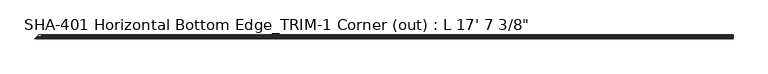
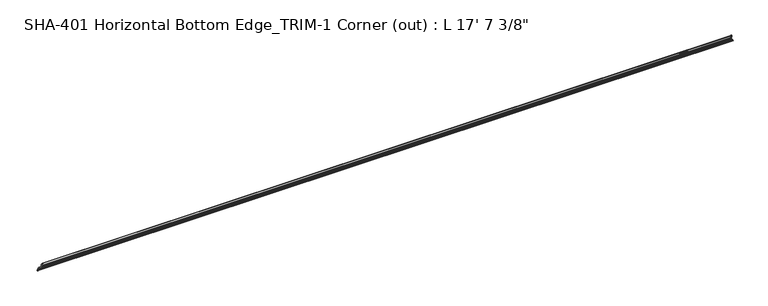
"""IFC4 building model written with IfcOpenShell, lengths in millimetres: proxy geometry."""

from ifc_helpers import new_model, si_unit, frame, origin, place, context, project, spatial, polyline, circle_curve, ellipse_curve, source, transform, mapped, element, save
from ifc_brep_helpers import plane_surface, cylinder_surface, revolved_surface, advanced_brep


def proxy_8384c79b(model_context):
    return source(origin(), model_context, "Body", "AdvancedBrep", [
        advanced_brep(
        [(5368.925, -7.2036308, 29.6006869), (5368.925, -9.525, 29.5346031), (5368.925, -9.525, 17.1196), (5368.925, -3.81, 17.1196), (5368.925, -1.905, 15.2146), (5368.925, -1.905, 3.81), (5368.925, -3.81, 1.905), (5368.925, -13.9230434, 1.905), (5368.925, -17.018, 1.5748), (5368.925, -21.5549919, 1.5748), (5368.925, -24.7045919, 1.5748), (5368.925, -28.575, 1.5748), (5368.925, -28.575, 0.0), (5368.925, -13.8696178, 0.0), (5368.925, 0.0, 0.0), (5368.925, 0.0, 19.0246), (5368.925, -5.392657, 19.0246), (50.8, -7.2036308, 29.6006869), (50.8, -9.525, 29.5346031), (50.8, -9.525, 17.1196), (50.8, -3.81, 17.1196), (50.8, -1.905, 15.2146), (50.8, -1.905, 3.81), (50.8, -3.81, 1.905), (50.8, 0.0, 1.905), (28.575, 0.0, 1.905), (14.6519566, -13.9230434, 1.905), (11.557, -17.018, 1.5748), (7.0200081, -21.5549919, 1.5748), (3.8704081, -24.7045919, 1.5748), (0.0, -28.575, 1.5748), (0.0, -28.575, 0.0), (14.7053822, -13.8696178, 0.0), (28.575, 0.0, 0.0), (50.8, 0.0, 19.0246), (50.8, -5.392657, 19.0246)],
        [
            (0, 1, circle_curve(frame((5368.925, -8.3323235, 28.4438454), z_axis=(1.0, 0.0, 0.0), x_axis=(0.0, 1.0, 0.0)), 1.6162393)),
            (1, 2),
            (2, 3),
            (3, 4, circle_curve(frame((5368.925, -3.81, 15.2146), z_axis=(-1.0, 0.0, 0.0), x_axis=(0.0, 1.0, 0.0)), 1.905)),
            (4, 5),
            (5, 6, circle_curve(frame((5368.925, -3.81, 3.81), z_axis=(-1.0, 0.0, 0.0), x_axis=(0.0, 1.0, 0.0)), 1.905)),
            (6, 7),
            (7, 8, circle_curve(frame((5368.925, -15.4432, 1.4838146), z_axis=(1.0, 0.0, 0.0), x_axis=(0.0, 1.0, 0.0)), 1.5774262)),
            (8, 9),
            (9, 10, circle_curve(frame((5368.925, -23.1297919, 1.5748), z_axis=(1.0, 0.0, 0.0), x_axis=(0.0, 1.0, 0.0)), 1.5748)),
            (10, 11),
            (11, 12),
            (12, 13),
            (13, 14),
            (14, 15),
            (15, 16),
            (16, 0),
            (0, 17),
            (17, 18, circle_curve(frame((50.8, -8.3323235, 28.4438454), z_axis=(1.0, 0.0, 0.0), x_axis=(0.0, 1.0, 0.0)), 1.6162393)),
            (18, 1),
            (18, 19),
            (19, 2),
            (19, 20),
            (20, 3),
            (20, 21, circle_curve(frame((50.8, -3.81, 15.2146), z_axis=(-1.0, 0.0, 0.0), x_axis=(0.0, 1.0, 0.0)), 1.905)),
            (21, 4),
            (21, 22),
            (22, 5),
            (22, 23, circle_curve(frame((50.8, -3.81, 3.81), z_axis=(-1.0, 0.0, 0.0), x_axis=(0.0, 1.0, 0.0)), 1.905)),
            (23, 6),
            (23, 24),
            (24, 25),
            (25, 26),
            (26, 7),
            (26, 27, ellipse_curve(frame((13.1318, -15.4432, 1.4838146), z_axis=(0.7071067811865469, -0.7071067811865481, 0.0), x_axis=(0.7071067811865481, 0.7071067811865469, 0.0)), 2.2308175, 1.5774262)),
            (27, 8),
            (27, 28),
            (28, 9),
            (28, 29, ellipse_curve(frame((5.4452081, -23.1297919, 1.5748), z_axis=(0.7071067811865469, -0.7071067811865481, 0.0), x_axis=(0.7071067811865481, 0.7071067811865469, 0.0)), 2.2271035, 1.5748)),
            (29, 10),
            (29, 30),
            (30, 11),
            (30, 31),
            (31, 12),
            (31, 32),
            (32, 13),
            (32, 33),
            (33, 14),
            (33, 25),
            (24, 34),
            (34, 15),
            (34, 35),
            (35, 16),
            (35, 17),
        ],
        [
            plane_surface(frame((5368.925, -6.7160842, 28.4438454), z_axis=(1.0, 0.0, 0.0), x_axis=(0.0, 0.0, 1.0))),
            cylinder_surface(frame((0.0, -8.3323235, 28.4438454), z_axis=(1.0, 0.0, 0.0), x_axis=(0.0, 1.0, 0.0)), 1.6162393),
            plane_surface(frame((5368.925, -9.525, 29.5346031), z_axis=(0.0, -1.0, 0.0), x_axis=(-1.0, 0.0, 0.0))),
            plane_surface(frame((5368.925, -9.525, 17.1196), z_axis=(0.0, 0.0, -1.0), x_axis=(-1.0, 0.0, 0.0))),
            revolved_surface(polyline([(50.8, -1.905, 15.2146), (5368.925, -1.905, 15.2146)]), (0.0, -3.81, 15.2146), (-1.0, 0.0, 0.0)),
            plane_surface(frame((5368.925, -1.905, 15.2146), z_axis=(0.0, -1.0, 0.0), x_axis=(-1.0, 0.0, 0.0))),
            revolved_surface(polyline([(50.8, -1.905, 3.81), (5368.925, -1.905, 3.81)]), (0.0, -3.81, 3.81), (-1.0, 0.0, 0.0)),
            plane_surface(frame((5368.925, -3.81, 1.905), z_axis=(0.0, 0.0, 1.0), x_axis=(-1.0, 0.0, 0.0))),
            cylinder_surface(frame((0.0, -15.4432, 1.4838146), z_axis=(1.0, 0.0, 0.0), x_axis=(0.0, 1.0, 0.0)), 1.5774262),
            plane_surface(frame((5368.925, -17.018, 1.5748), z_axis=(0.0, 0.0, 1.0), x_axis=(-1.0, 0.0, 0.0))),
            cylinder_surface(frame((0.0, -23.1297919, 1.5748), z_axis=(1.0, 0.0, 0.0), x_axis=(0.0, 1.0, 0.0)), 1.5748),
            plane_surface(frame((5368.925, -24.7045919, 1.5748), z_axis=(0.0, 0.0, 1.0), x_axis=(-1.0, 0.0, 0.0))),
            plane_surface(frame((5368.925, -28.575, 1.5748), z_axis=(0.0, -1.0, 0.0), x_axis=(-1.0, 0.0, 0.0))),
            plane_surface(frame((5368.925, -28.575, 0.0), z_axis=(0.0, 0.0, -1.0), x_axis=(-1.0, 0.0, 0.0))),
            plane_surface(frame((5368.925, -13.8696178, 0.0), z_axis=(0.0, 0.0, -1.0), x_axis=(-1.0, 0.0, 0.0))),
            plane_surface(frame((5368.925, 0.0, 0.0), z_axis=(0.0, 1.0, 0.0), x_axis=(-1.0, 0.0, 0.0))),
            plane_surface(frame((5368.925, 0.0, 19.0246), z_axis=(0.0, 0.0, 1.0), x_axis=(-1.0, 0.0, 0.0))),
            plane_surface(frame((5368.925, -5.392657, 19.0246), z_axis=(0.0, 0.985654359399156, 0.1687764314039123), x_axis=(-1.0, 0.0, 0.0))),
            plane_surface(frame((0.0, -28.575, 31.3303492), z_axis=(-0.7071067811865469, 0.7071067811865481, 0.0), x_axis=(0.0, 0.0, -1.0))),
            plane_surface(frame((50.8, -9.525, 1.905), z_axis=(-1.0, 0.0, 0.0), x_axis=(0.0, 1.0, 0.0))),
        ],
        [
            (0, [[1, 2, 3, 4, 5, 6, 7, 8, 9, 10, 11, 12, 13, 14, 15, 16, 17]]),
            (1, [[-1, 18, 19, 20]]),
            (2, [[-2, -20, 21, 22]]),
            (3, [[-3, -22, 23, 24]]),
            (4, [[-4, -24, 25, 26]]),
            (5, [[-5, -26, 27, 28]]),
            (6, [[-6, -28, 29, 30]]),
            (7, [[-7, -30, 31, 32, 33, 34]]),
            (8, [[-8, -34, 35, 36]]),
            (9, [[-9, -36, 37, 38]]),
            (10, [[-10, -38, 39, 40]]),
            (11, [[-11, -40, 41, 42]]),
            (12, [[-12, -42, 43, 44]]),
            (13, [[-13, -44, 45, 46]]),
            (14, [[-14, -46, 47, 48]]),
            (15, [[-15, -48, 49, -32, 50, 51]]),
            (16, [[-16, -51, 52, 53]]),
            (17, [[-17, -53, 54, -18]]),
            (18, [[-35, -33, -49, -47, -45, -43, -41, -39, -37]]),
            (19, [[-31, -29, -27, -25, -23, -21, -19, -54, -52, -50]]),
        ],
    ),
    ])


if __name__ == "__main__":
    model = new_model("IFC4")
    model_context = context("Model", 3, world=origin())
    ifc_project = project(units=[si_unit("LENGTHUNIT", "METRE", prefix="MILLI")], contexts=[model_context])
    site = spatial("IfcSite", under=ifc_project)
    building = spatial("IfcBuilding", under=site)
    placement = place(None, origin())
    proxy_shape = proxy_8384c79b(model_context)
    element("IfcBuildingElementProxy", 1, Name="SHA-401 Horizontal Bottom Edge_TRIM-1 Corner (out) : L 17' 7 3/8\"", ObjectType="SHA-401 Horizontal Bottom Edge_TRIM-1 Corner (out) : L 17' 7 3/8\"", at=placement, inside=building, context=model_context, shape_type="MappedRepresentation", body=[
        mapped(proxy_shape, transform((0.0, 0.0, 0.0), x_axis=(1.0, 0.0, 0.0), y_axis=(0.0, 1.0, 0.0), z_axis=(0.0, 0.0, 1.0))),
    ])
    save(model, "model.ifc")
